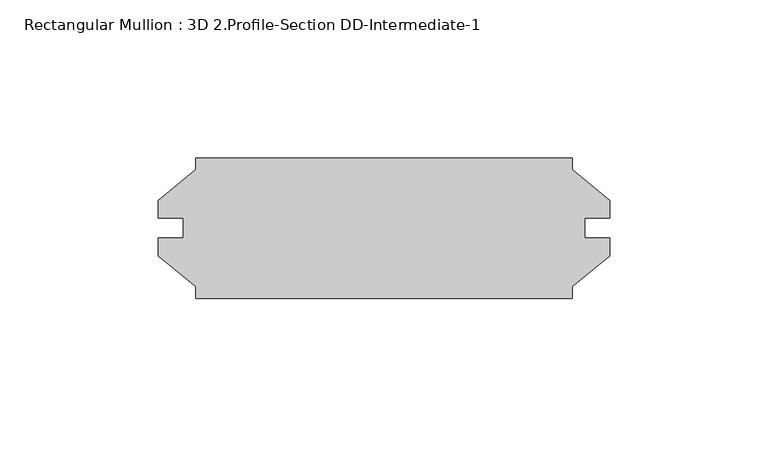
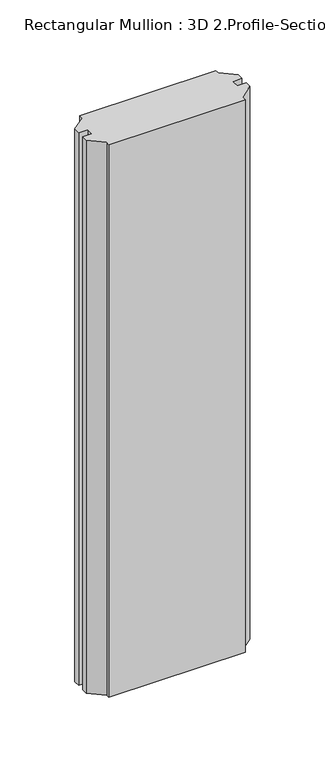
"""IFC4 building model written with IfcOpenShell, lengths in millimetres: member geometry, Rectangular Mullion : 3D 2.Profile-Section DD-Intermediate-1."""

from ifc_helpers import new_model, si_unit, frame, origin, place, context, project, spatial, polyline, outline, extrude, source, transform, mapped, element, save


def rectangular_mullion_3d_2_profile_section_dd_intermediate_1_1ead75b7(model_context):
    return source(origin(), model_context, "Body", "SweptSolid", [
        extrude(outline(polyline([(-15.6806426, -18.563286), (-15.6806426, -22.26945), (-134.7304426, -22.26945), (-134.7304426, -18.563286), (-146.6366926, -8.79475), (-146.6366926, -3.21945), (-138.6928426, -3.21945), (-138.6928426, 3.13055), (-146.6366926, 3.13055), (-146.6366926, 8.70585), (-134.7304426, 18.474386), (-134.7304426, 22.18055), (-15.6806426, 22.18055), (-15.6806426, 18.474386), (-3.7743926, 8.70585), (-3.7743926, 3.13055), (-11.7182426, 3.13055), (-11.7182426, -3.21945), (-3.7743926, -3.21945), (-3.7743926, -8.79475), (-15.6806426, -18.563286)])), frame((0.0, 0.0, -511.18135), z_axis=(0.0, 0.0, 1.0), x_axis=(1.0, 0.0, 0.0)), (0.0, 0.0, 1.0), 511.18135),
    ])


if __name__ == "__main__":
    model = new_model("IFC4")
    model_context = context("Model", 3, world=origin())
    ifc_project = project(units=[si_unit("LENGTHUNIT", "METRE", prefix="MILLI")], contexts=[model_context])
    site = spatial("IfcSite", under=ifc_project)
    building = spatial("IfcBuilding", under=site)
    placement = place(None, origin())
    rectangular_mullion_3d_2_profile_section_dd_intermediate_1_shape = rectangular_mullion_3d_2_profile_section_dd_intermediate_1_1ead75b7(model_context)
    element("IfcMember", 1, ObjectType="Rectangular Mullion : 3D 2.Profile-Section DD-Intermediate-1", at=placement, inside=building, context=model_context, shape_type="MappedRepresentation", body=[
        mapped(rectangular_mullion_3d_2_profile_section_dd_intermediate_1_shape, transform((0.0, 0.0, 0.0), x_axis=(1.0, 0.0, 0.0), y_axis=(0.0, 1.0, 0.0), z_axis=(0.0, 0.0, 1.0))),
    ])
    save(model, "model.ifc")
